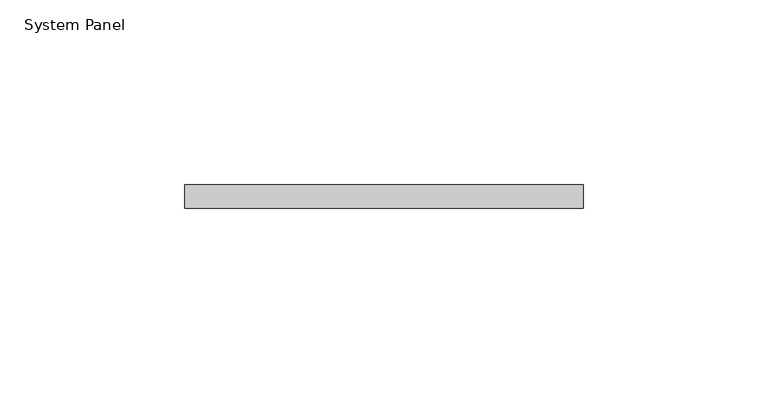
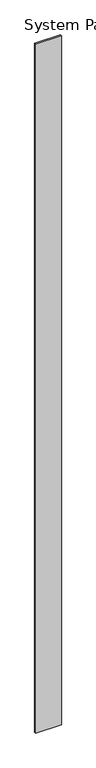
"""IFC4 building model written with IfcOpenShell, lengths in millimetres: plate geometry, System Panel."""

from ifc_helpers import new_model, si_unit, origin, origin_with_axes, place, context, project, spatial, polyline, outline, extrude, source, transform, mapped, element, save


def system_panel_4afb2a05(model_context):
    return source(origin(), model_context, "Body", "SweptSolid", [
        extrude(outline(polyline([(53.975, 0.0), (-53.975, 0.0), (-53.975, 6.35), (53.975, 6.35), (53.975, 0.0)])), origin_with_axes(), (0.0, 0.0, 1.0), 3048.0),
    ])


if __name__ == "__main__":
    model = new_model("IFC4")
    model_context = context("Model", 3, world=origin())
    ifc_project = project(units=[si_unit("LENGTHUNIT", "METRE", prefix="MILLI")], contexts=[model_context])
    site = spatial("IfcSite", under=ifc_project)
    building = spatial("IfcBuilding", under=site)
    placement = place(None, origin())
    system_panel_shape = system_panel_4afb2a05(model_context)
    element("IfcPlate", 1, ObjectType="System Panel", at=placement, inside=building, context=model_context, shape_type="MappedRepresentation", body=[
        mapped(system_panel_shape, transform((0.0, 0.0, 0.0), x_axis=(1.0, 0.0, 0.0), y_axis=(0.0, 1.0, 0.0), z_axis=(0.0, 0.0, 1.0))),
    ])
    save(model, "model.ifc")
